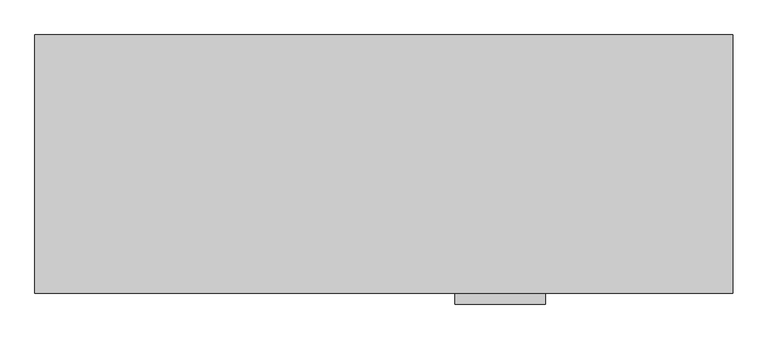
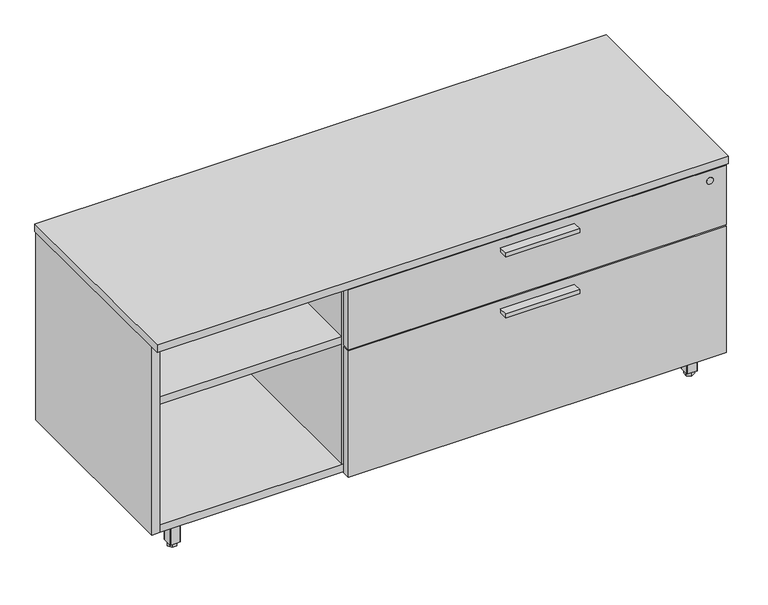
"""IFC4 building model written with IfcOpenShell, lengths in millimetres: furniture geometry."""

import ifcopenshell
import ifcopenshell.guid

model = None  # the IFC model being written
_history = None  # IfcOwnerHistory: only IFC2X3 demands one
_inside = {}  # id of a spatial element -> (the spatial element, [elements in it])
_under = {}  # id of a project, library or spatial element -> (it, [spatial elements below it])
_declared = {}  # id of a project -> (the project, [libraries it declares])
_typed = {}  # id of a type object -> (the type object, [elements of that type])
_made_of = {}  # id of a material, layer set ... -> (it, [elements and type objects made of it])


def new_model(schema):
    """Start an empty IFC model of exactly this schema.

    Asked for "IFC4X3", IfcOpenShell would pick the latest addendum, in which some entities
    have other attributes; the version numbers below select the first issue.
    IFC2X3 requires an IfcOwnerHistory on every rooted entity: one is made here for all.
    """
    global model, _history
    if schema == "IFC4X3":
        model = ifcopenshell.file(schema_version=(4, 3, 0, 0))
    else:
        model = ifcopenshell.file(schema=schema)
    _inside.clear()
    _under.clear()
    _declared.clear()
    _typed.clear()
    _made_of.clear()
    _history = None
    if model.schema == "IFC2X3":
        org = make("IfcOrganization", Name="unknown")
        user = make(
            "IfcPersonAndOrganization",
            ThePerson=make("IfcPerson", FamilyName="unknown"),
            TheOrganization=org,
        )
        app = make(
            "IfcApplication",
            ApplicationDeveloper=org,
            Version="unknown",
            ApplicationFullName="unknown",
            ApplicationIdentifier="unknown",
        )
        _history = make(
            "IfcOwnerHistory",
            OwningUser=user,
            OwningApplication=app,
            ChangeAction="ADDED",
            CreationDate=0,
        )
    return model


def make(cls, **values):
    """One entity of the class cls with the attributes given. An attribute that is None is left unset."""
    return model.create_entity(
        cls, **{name: value for name, value in values.items() if value is not None}
    )


def rooted(cls, **values):
    """An entity with a GlobalId (a new one), such as an element, a storey or a relation."""
    return make(cls, GlobalId=ifcopenshell.guid.new(), OwnerHistory=_history, **values)


def si_unit(unit_type, name, prefix=None):
    """IfcSIUnit, for example si_unit("LENGTHUNIT", "METRE", prefix="MILLI")."""
    return make("IfcSIUnit", UnitType=unit_type, Prefix=prefix, Name=name)


def assignment(units):
    """IfcUnitAssignment: the units of a project."""
    return None if units is None else make("IfcUnitAssignment", Units=units)


def point(xyz):
    """IfcCartesianPoint."""
    return None if xyz is None else make("IfcCartesianPoint", Coordinates=xyz)


def direction(xyz):
    """IfcDirection."""
    return None if xyz is None else make("IfcDirection", DirectionRatios=xyz)


def frame(location, z_axis=None, x_axis=None):
    """IfcAxis2Placement3D, a coordinate frame: its origin and axes. An axis left out is left unset."""
    return make(
        "IfcAxis2Placement3D",
        Location=point(location),
        Axis=direction(z_axis),
        RefDirection=direction(x_axis),
    )


def frame_2d(location, x_axis=None):
    """IfcAxis2Placement2D, a coordinate frame in the plane: its origin and x axis."""
    return make(
        "IfcAxis2Placement2D", Location=point(location), RefDirection=direction(x_axis)
    )


def origin():
    """The frame at (0, 0, 0) with its axes left unset."""
    return frame((0.0, 0.0, 0.0))


def origin_with_axes():
    """The frame at (0, 0, 0) with the z axis (0, 0, 1) and the x axis (1, 0, 0) written out."""
    return frame((0.0, 0.0, 0.0), z_axis=(0.0, 0.0, 1.0), x_axis=(1.0, 0.0, 0.0))


def place(relative_to, where):
    """IfcLocalPlacement: puts the frame where relative to a parent placement (None: the world)."""
    return make(
        "IfcLocalPlacement", PlacementRelTo=relative_to, RelativePlacement=where
    )


def context(
    kind, dimensions, precision=None, world=None, true_north=None, identifier=None
):
    """IfcGeometricRepresentationContext, for example the 3D "Model" context."""
    return make(
        "IfcGeometricRepresentationContext",
        ContextIdentifier=identifier,
        ContextType=kind,
        CoordinateSpaceDimension=dimensions,
        Precision=precision,
        WorldCoordinateSystem=world,
        TrueNorth=true_north,
    )


def project(units=None, contexts=None):
    """IfcProject with its units and contexts."""
    return rooted(
        "IfcProject",
        Name="project",
        RepresentationContexts=contexts,
        UnitsInContext=assignment(units),
    )


def spatial(cls, under=None, at=None, **own):
    """A site, building, storey or space (cls), placed at a placement, below another one or the project."""
    s = rooted(cls, ObjectPlacement=at, **own)
    if under is not None:
        _under.setdefault(under.id(), (under, []))[1].append(s)
    return s


def polyline(points):
    """IfcPolyline through the points."""
    return make("IfcPolyline", Points=[point(p) for p in points])


def circle_curve(where, radius):
    """IfcCircle in the frame where."""
    return make("IfcCircle", Position=where, Radius=radius)


def trimmed(basis, trim1, trim2, sense, master):
    """IfcTrimmedCurve: the piece of a basis curve between two trims."""
    return make(
        "IfcTrimmedCurve",
        BasisCurve=basis,
        Trim1=trim1,
        Trim2=trim2,
        SenseAgreement=sense,
        MasterRepresentation=master,
    )


def segment(curve, same_sense, transition):
    """IfcCompositeCurveSegment."""
    return make(
        "IfcCompositeCurveSegment",
        Transition=transition,
        SameSense=same_sense,
        ParentCurve=curve,
    )


def composite_curve(segments, self_intersect=None):
    """IfcCompositeCurve: segments joined end to end."""
    return make("IfcCompositeCurve", Segments=segments, SelfIntersect=self_intersect)


def outline(outer, holes=None, kind="AREA"):
    """IfcArbitraryClosedProfileDef: a profile drawn as a closed curve; with holes, ...WithVoids."""
    if holes is None:
        return make("IfcArbitraryClosedProfileDef", ProfileType=kind, OuterCurve=outer)
    return make(
        "IfcArbitraryProfileDefWithVoids",
        ProfileType=kind,
        OuterCurve=outer,
        InnerCurves=holes,
    )


def extrude(swept, where, along, depth):
    """IfcExtrudedAreaSolid: the profile swept, set in the frame where, extruded along a direction by depth."""
    return make(
        "IfcExtrudedAreaSolid",
        SweptArea=swept,
        Position=where,
        ExtrudedDirection=direction(along),
        Depth=depth,
    )


def shape(context_of_items, identifier, shape_type, items):
    """IfcShapeRepresentation: the items that make up one representation, for example the "Body"."""
    return make(
        "IfcShapeRepresentation",
        ContextOfItems=context_of_items,
        RepresentationIdentifier=identifier,
        RepresentationType=shape_type,
        Items=items,
    )


def source(mapping_origin, context_of_items, identifier, shape_type, items):
    """IfcRepresentationMap: a shape defined once, which mapped items show again and again."""
    return make(
        "IfcRepresentationMap",
        MappingOrigin=mapping_origin,
        MappedRepresentation=shape(context_of_items, identifier, shape_type, items),
    )


def transform(
    local_origin,
    x_axis=None,
    y_axis=None,
    z_axis=None,
    scale=None,
    scale2=None,
    scale3=None,
    uniform=True,
):
    """IfcCartesianTransformationOperator3D, or its non-uniform kind. x_axis, y_axis, z_axis: its Axis1, 2, 3."""
    if uniform:
        return make(
            "IfcCartesianTransformationOperator3D",
            Axis1=direction(x_axis),
            Axis2=direction(y_axis),
            LocalOrigin=point(local_origin),
            Scale=scale,
            Axis3=direction(z_axis),
        )
    return make(
        "IfcCartesianTransformationOperator3DnonUniform",
        Axis1=direction(x_axis),
        Axis2=direction(y_axis),
        LocalOrigin=point(local_origin),
        Scale=scale,
        Axis3=direction(z_axis),
        Scale2=scale2,
        Scale3=scale3,
    )


def mapped(mapping_source, mapping_target):
    """IfcMappedItem: shows the shape of a source again, moved by a transform."""
    return make(
        "IfcMappedItem", MappingSource=mapping_source, MappingTarget=mapping_target
    )


def made_of(thing, what):
    """Note that an element or type object is made of a material, layer set ...; save() writes the relation."""
    if what is not None:
        _made_of.setdefault(what.id(), (what, []))[1].append(thing)
    return thing


def element(
    cls,
    number,
    at=None,
    inside=None,
    cuts=None,
    type_object=None,
    material=None,
    context=None,
    identifier="Body",
    shape_type=None,
    held_by="IfcProductDefinitionShape",
    body=None,
    shapes=None,
    **own,
):
    """One element of the class cls, such as IfcWall. Its Tag is "e" and its number.

    at: its placement. inside: the storey or other place that contains it. cuts: it is an
    opening in that element (IfcRelVoidsElement). A single representation is given by context,
    identifier, shape_type and body (its items); several are given by shapes. held_by: the class
    of the entity that holds the representations. save() writes the other relations.
    """
    e = rooted(cls, Tag="e%d" % number, ObjectPlacement=at, **own)
    if body is not None:
        shapes = [shape(context, identifier, shape_type, body)]
    if shapes is not None:
        e.Representation = make(held_by, Representations=shapes)
    if inside is not None:
        _inside.setdefault(inside.id(), (inside, []))[1].append(e)
    if cuts is not None:
        rooted(
            "IfcRelVoidsElement", RelatingBuildingElement=cuts, RelatedOpeningElement=e
        )
    if type_object is not None:
        _typed.setdefault(type_object.id(), (type_object, []))[1].append(e)
    return made_of(e, material)


def aggregate(whole, parts):
    """IfcRelAggregates: a whole, such as a stair, and the parts it consists of."""
    return rooted("IfcRelAggregates", RelatingObject=whole, RelatedObjects=parts)


def save(model, path):
    """Write the relations noted so far, then the file.

    IfcRelAggregates (storeys below a building ...), IfcRelContainedInSpatialStructure (elements
    in a storey), IfcRelDefinesByType, IfcRelAssociatesMaterial and IfcRelDeclares: one each for
    every whole, place, type object, material and project.
    """
    for whole, parts in _under.values():
        aggregate(whole, parts)
    for where, things in _inside.values():
        rooted(
            "IfcRelContainedInSpatialStructure",
            RelatedElements=things,
            RelatingStructure=where,
        )
    for kind, things in _typed.values():
        rooted("IfcRelDefinesByType", RelatedObjects=things, RelatingType=kind)
    for what, things in _made_of.values():
        rooted("IfcRelAssociatesMaterial", RelatedObjects=things, RelatingMaterial=what)
    for by, libraries in _declared.values():
        rooted("IfcRelDeclares", RelatingContext=by, RelatedDefinitions=libraries)
    model.write(path)


def furniture_260f31ba(model_context):
    return source(origin(), model_context, "Body", "SweptSolid", [
        extrude(outline(polyline([(1003.3635, -536.7158592), (825.5635, -536.7158592), (825.5635, -514.4908592), (1003.3635, -514.4908592), (1003.3635, -536.7158592)])), frame((0.0, 0.0, 351.0330729), z_axis=(0.0, 0.0, 1.0), x_axis=(1.0, 0.0, 0.0)), (0.0, 0.0, 1.0), 9.525),
        extrude(outline(polyline([(1003.3635, -536.7158592), (825.5635, -536.7158592), (825.5635, -514.4908592), (1003.3635, -514.4908592), (1003.3635, -536.7158592)])), frame((0.0, 0.0, 506.1508939), z_axis=(0.0, 0.0, 1.0), x_axis=(1.0, 0.0, 0.0)), (0.0, 0.0, 1.0), 9.525),
        extrude(outline(polyline([(70.8025, -456.713183), (76.5175, -466.6118534), (70.8025, -476.5105237), (59.3725, -476.5105237), (53.6575, -466.6118534), (59.3725, -456.713183), (70.8025, -456.713183)])), origin_with_axes(), (0.0, 0.0, 1.0), 9.144),
        extrude(outline(composite_curve([segment(trimmed(circle_curve(frame_2d((65.0875, -466.6118534)), 4.445), [point((69.5325, -466.6118534))], [point((60.6425, -466.6118534))], False, "CARTESIAN"), True, "CONTINUOUS"), segment(trimmed(circle_curve(frame_2d((65.0875, -466.6118534)), 4.445), [point((60.6425, -466.6118534))], [point((69.5325, -466.6118534))], False, "CARTESIAN"), True, "CONTINUOUS")], self_intersect=False)), frame((0.0, 0.0, 7.112), z_axis=(0.0, 0.0, 1.0), x_axis=(1.0, 0.0, 0.0)), (0.0, 0.0, 1.0), 2.032),
        extrude(outline(composite_curve([segment(trimmed(circle_curve(frame_2d((11.1125, -482.4868534)), 3.175), [point((11.1125, -485.6618534))], [point((7.9375, -482.4868534))], False, "CARTESIAN"), True, "CONTINUOUS"), segment(polyline([(7.9375, -482.4868534), (7.9375, -412.6368534)]), True, "CONTINUOUS"), segment(trimmed(circle_curve(frame_2d((11.1125, -412.6368534)), 3.175), [point((7.9375, -412.6368534))], [point((11.1125, -409.4618534))], False, "CARTESIAN"), True, "CONTINUOUS"), segment(polyline([(11.1125, -409.4618534), (80.9625, -409.4618534)]), True, "CONTINUOUS"), segment(trimmed(circle_curve(frame_2d((80.9625, -412.6368534)), 3.175), [point((80.9625, -409.4618534))], [point((84.1375, -412.6368534))], False, "CARTESIAN"), True, "CONTINUOUS"), segment(polyline([(84.1375, -412.6368534), (84.1375, -482.4868534)]), True, "CONTINUOUS"), segment(trimmed(circle_curve(frame_2d((80.9625, -482.4868534)), 3.175), [point((84.1375, -482.4868534))], [point((80.9625, -485.6618534))], False, "CARTESIAN"), True, "CONTINUOUS"), segment(polyline([(80.9625, -485.6618534), (11.1125, -485.6618534)]), True, "CONTINUOUS")], self_intersect=False)), frame((0.0, 0.0, 58.3692), z_axis=(0.0, 0.0, 1.0), x_axis=(1.0, 0.0, 0.0)), (0.0, 0.0, 1.0), 1.89738),
        extrude(outline(composite_curve([segment(polyline([(76.5175, -479.3118534), (53.6575, -479.3118534)]), True, "CONTINUOUS"), segment(trimmed(circle_curve(frame_2d((53.6575, -478.0418534)), 1.27), [point((53.6575, -479.3118534))], [point((52.3875, -478.0418534))], False, "CARTESIAN"), True, "CONTINUOUS"), segment(polyline([(52.3875, -478.0418534), (52.3875, -455.1818534)]), True, "CONTINUOUS"), segment(trimmed(circle_curve(frame_2d((53.6575, -455.1818534)), 1.27), [point((52.3875, -455.1818534))], [point((53.6575, -453.9118534))], False, "CARTESIAN"), True, "CONTINUOUS"), segment(polyline([(53.6575, -453.9118534), (76.5175, -453.9118534)]), True, "CONTINUOUS"), segment(trimmed(circle_curve(frame_2d((76.5175, -455.1818534)), 1.27), [point((76.5175, -453.9118534))], [point((77.7875, -455.1818534))], False, "CARTESIAN"), True, "CONTINUOUS"), segment(polyline([(77.7875, -455.1818534), (77.7875, -478.0418534)]), True, "CONTINUOUS"), segment(trimmed(circle_curve(frame_2d((76.5175, -478.0418534)), 1.27), [point((77.7875, -478.0418534))], [point((76.5175, -479.3118534))], False, "CARTESIAN"), True, "CONTINUOUS")], self_intersect=False)), frame((0.0, 0.0, 9.144), z_axis=(0.0, 0.0, 1.0), x_axis=(1.0, 0.0, 0.0)), (0.0, 0.0, 1.0), 49.2252),
        extrude(outline(polyline([(55.1888296, -42.0508713), (65.0875, -36.3358713), (74.9861704, -42.0508713), (74.9861704, -53.4808713), (65.0875, -59.1958713), (55.1888296, -53.4808713), (55.1888296, -42.0508713)])), origin_with_axes(), (0.0, 0.0, 1.0), 9.144),
        extrude(outline(composite_curve([segment(trimmed(circle_curve(frame_2d((65.0875, -47.7658713)), 4.445), [point((65.0875, -43.3208713))], [point((65.0875, -52.2108713))], False, "CARTESIAN"), True, "CONTINUOUS"), segment(trimmed(circle_curve(frame_2d((65.0875, -47.7658713)), 4.445), [point((65.0875, -52.2108713))], [point((65.0875, -43.3208713))], False, "CARTESIAN"), True, "CONTINUOUS")], self_intersect=False)), frame((0.0, 0.0, 7.112), z_axis=(0.0, 0.0, 1.0), x_axis=(1.0, 0.0, 0.0)), (0.0, 0.0, 1.0), 2.032),
        extrude(outline(composite_curve([segment(trimmed(circle_curve(frame_2d((80.9625, -101.7408713)), 3.175), [point((84.1375, -101.7408713))], [point((80.9625, -104.9158713))], False, "CARTESIAN"), True, "CONTINUOUS"), segment(polyline([(80.9625, -104.9158713), (11.1125, -104.9158713)]), True, "CONTINUOUS"), segment(trimmed(circle_curve(frame_2d((11.1125, -101.7408713)), 3.175), [point((11.1125, -104.9158713))], [point((7.9375, -101.7408713))], False, "CARTESIAN"), True, "CONTINUOUS"), segment(polyline([(7.9375, -101.7408713), (7.9375, -31.8908713)]), True, "CONTINUOUS"), segment(trimmed(circle_curve(frame_2d((11.1125, -31.8908713)), 3.175), [point((7.9375, -31.8908713))], [point((11.1125, -28.7158713))], False, "CARTESIAN"), True, "CONTINUOUS"), segment(polyline([(11.1125, -28.7158713), (80.9625, -28.7158713)]), True, "CONTINUOUS"), segment(trimmed(circle_curve(frame_2d((80.9625, -31.8908713)), 3.175), [point((80.9625, -28.7158713))], [point((84.1375, -31.8908713))], False, "CARTESIAN"), True, "CONTINUOUS"), segment(polyline([(84.1375, -31.8908713), (84.1375, -101.7408713)]), True, "CONTINUOUS")], self_intersect=False)), frame((0.0, 0.0, 58.3692), z_axis=(0.0, 0.0, 1.0), x_axis=(1.0, 0.0, 0.0)), (0.0, 0.0, 1.0), 1.89738),
        extrude(outline(composite_curve([segment(polyline([(77.7875, -36.3358713), (77.7875, -59.1958713)]), True, "CONTINUOUS"), segment(trimmed(circle_curve(frame_2d((76.5175, -59.1958713)), 1.27), [point((77.7875, -59.1958713))], [point((76.5175, -60.4658713))], False, "CARTESIAN"), True, "CONTINUOUS"), segment(polyline([(76.5175, -60.4658713), (53.6575, -60.4658713)]), True, "CONTINUOUS"), segment(trimmed(circle_curve(frame_2d((53.6575, -59.1958713)), 1.27), [point((53.6575, -60.4658713))], [point((52.3875, -59.1958713))], False, "CARTESIAN"), True, "CONTINUOUS"), segment(polyline([(52.3875, -59.1958713), (52.3875, -36.3358713)]), True, "CONTINUOUS"), segment(trimmed(circle_curve(frame_2d((53.6575, -36.3358713)), 1.27), [point((52.3875, -36.3358713))], [point((53.6575, -35.0658713))], False, "CARTESIAN"), True, "CONTINUOUS"), segment(polyline([(53.6575, -35.0658713), (76.5175, -35.0658713)]), True, "CONTINUOUS"), segment(trimmed(circle_curve(frame_2d((76.5175, -36.3358713)), 1.27), [point((76.5175, -35.0658713))], [point((77.7875, -36.3358713))], False, "CARTESIAN"), True, "CONTINUOUS")], self_intersect=False)), frame((0.0, 0.0, 9.144), z_axis=(0.0, 0.0, 1.0), x_axis=(1.0, 0.0, 0.0)), (0.0, 0.0, 1.0), 49.2252),
        extrude(outline(polyline([(1300.7975, -57.6645417), (1295.0825, -47.7658713), (1300.7975, -37.8672009), (1312.2275, -37.8672009), (1317.9425, -47.7658713), (1312.2275, -57.6645417), (1300.7975, -57.6645417)])), origin_with_axes(), (0.0, 0.0, 1.0), 9.144),
        extrude(outline(composite_curve([segment(trimmed(circle_curve(frame_2d((1306.5125, -47.7658713)), 4.445), [point((1302.0675, -47.7658713))], [point((1310.9575, -47.7658713))], False, "CARTESIAN"), True, "CONTINUOUS"), segment(trimmed(circle_curve(frame_2d((1306.5125, -47.7658713)), 4.445), [point((1310.9575, -47.7658713))], [point((1302.0675, -47.7658713))], False, "CARTESIAN"), True, "CONTINUOUS")], self_intersect=False)), frame((0.0, 0.0, 7.112), z_axis=(0.0, 0.0, 1.0), x_axis=(1.0, 0.0, 0.0)), (0.0, 0.0, 1.0), 2.032),
        extrude(outline(composite_curve([segment(trimmed(circle_curve(frame_2d((1360.4875, -31.8908713)), 3.175), [point((1360.4875, -28.7158713))], [point((1363.6625, -31.8908713))], False, "CARTESIAN"), True, "CONTINUOUS"), segment(polyline([(1363.6625, -31.8908713), (1363.6625, -101.7408713)]), True, "CONTINUOUS"), segment(trimmed(circle_curve(frame_2d((1360.4875, -101.7408713)), 3.175), [point((1363.6625, -101.7408713))], [point((1360.4875, -104.9158713))], False, "CARTESIAN"), True, "CONTINUOUS"), segment(polyline([(1360.4875, -104.9158713), (1290.6375, -104.9158713)]), True, "CONTINUOUS"), segment(trimmed(circle_curve(frame_2d((1290.6375, -101.7408713)), 3.175), [point((1290.6375, -104.9158713))], [point((1287.4625, -101.7408713))], False, "CARTESIAN"), True, "CONTINUOUS"), segment(polyline([(1287.4625, -101.7408713), (1287.4625, -31.8908713)]), True, "CONTINUOUS"), segment(trimmed(circle_curve(frame_2d((1290.6375, -31.8908713)), 3.175), [point((1287.4625, -31.8908713))], [point((1290.6375, -28.7158713))], False, "CARTESIAN"), True, "CONTINUOUS"), segment(polyline([(1290.6375, -28.7158713), (1360.4875, -28.7158713)]), True, "CONTINUOUS")], self_intersect=False)), frame((0.0, 0.0, 58.3692), z_axis=(0.0, 0.0, 1.0), x_axis=(1.0, 0.0, 0.0)), (0.0, 0.0, 1.0), 1.89738),
        extrude(outline(composite_curve([segment(polyline([(1295.0825, -35.0658713), (1317.9425, -35.0658713)]), True, "CONTINUOUS"), segment(trimmed(circle_curve(frame_2d((1317.9425, -36.3358713)), 1.27), [point((1317.9425, -35.0658713))], [point((1319.2125, -36.3358713))], False, "CARTESIAN"), True, "CONTINUOUS"), segment(polyline([(1319.2125, -36.3358713), (1319.2125, -59.1958713)]), True, "CONTINUOUS"), segment(trimmed(circle_curve(frame_2d((1317.9425, -59.1958713)), 1.27), [point((1319.2125, -59.1958713))], [point((1317.9425, -60.4658713))], False, "CARTESIAN"), True, "CONTINUOUS"), segment(polyline([(1317.9425, -60.4658713), (1295.0825, -60.4658713)]), True, "CONTINUOUS"), segment(trimmed(circle_curve(frame_2d((1295.0825, -59.1958713)), 1.27), [point((1295.0825, -60.4658713))], [point((1293.8125, -59.1958713))], False, "CARTESIAN"), True, "CONTINUOUS"), segment(polyline([(1293.8125, -59.1958713), (1293.8125, -36.3358713)]), True, "CONTINUOUS"), segment(trimmed(circle_curve(frame_2d((1295.0825, -36.3358713)), 1.27), [point((1293.8125, -36.3358713))], [point((1295.0825, -35.0658713))], False, "CARTESIAN"), True, "CONTINUOUS")], self_intersect=False)), frame((0.0, 0.0, 9.144), z_axis=(0.0, 0.0, 1.0), x_axis=(1.0, 0.0, 0.0)), (0.0, 0.0, 1.0), 49.2252),
        extrude(outline(polyline([(1316.4111704, -472.3268534), (1306.5125, -478.0418534), (1296.6138296, -472.3268534), (1296.6138296, -460.8968534), (1306.5125, -455.1818534), (1316.4111704, -460.8968534), (1316.4111704, -472.3268534)])), origin_with_axes(), (0.0, 0.0, 1.0), 9.144),
        extrude(outline(composite_curve([segment(trimmed(circle_curve(frame_2d((1306.5125, -466.6118534)), 4.445), [point((1306.5125, -471.0568534))], [point((1306.5125, -462.1668534))], False, "CARTESIAN"), True, "CONTINUOUS"), segment(trimmed(circle_curve(frame_2d((1306.5125, -466.6118534)), 4.445), [point((1306.5125, -462.1668534))], [point((1306.5125, -471.0568534))], False, "CARTESIAN"), True, "CONTINUOUS")], self_intersect=False)), frame((0.0, 0.0, 7.112), z_axis=(0.0, 0.0, 1.0), x_axis=(1.0, 0.0, 0.0)), (0.0, 0.0, 1.0), 2.032),
        extrude(outline(composite_curve([segment(trimmed(circle_curve(frame_2d((1290.6375, -412.6368534)), 3.175), [point((1287.4625, -412.6368534))], [point((1290.6375, -409.4618534))], False, "CARTESIAN"), True, "CONTINUOUS"), segment(polyline([(1290.6375, -409.4618534), (1360.4875, -409.4618534)]), True, "CONTINUOUS"), segment(trimmed(circle_curve(frame_2d((1360.4875, -412.6368534)), 3.175), [point((1360.4875, -409.4618534))], [point((1363.6625, -412.6368534))], False, "CARTESIAN"), True, "CONTINUOUS"), segment(polyline([(1363.6625, -412.6368534), (1363.6625, -482.4868534)]), True, "CONTINUOUS"), segment(trimmed(circle_curve(frame_2d((1360.4875, -482.4868534)), 3.175), [point((1363.6625, -482.4868534))], [point((1360.4875, -485.6618534))], False, "CARTESIAN"), True, "CONTINUOUS"), segment(polyline([(1360.4875, -485.6618534), (1290.6375, -485.6618534)]), True, "CONTINUOUS"), segment(trimmed(circle_curve(frame_2d((1290.6375, -482.4868534)), 3.175), [point((1290.6375, -485.6618534))], [point((1287.4625, -482.4868534))], False, "CARTESIAN"), True, "CONTINUOUS"), segment(polyline([(1287.4625, -482.4868534), (1287.4625, -412.6368534)]), True, "CONTINUOUS")], self_intersect=False)), frame((0.0, 0.0, 58.3692), z_axis=(0.0, 0.0, 1.0), x_axis=(1.0, 0.0, 0.0)), (0.0, 0.0, 1.0), 1.89738),
        extrude(outline(composite_curve([segment(polyline([(1293.8125, -478.0418534), (1293.8125, -455.1818534)]), True, "CONTINUOUS"), segment(trimmed(circle_curve(frame_2d((1295.0825, -455.1818534)), 1.27), [point((1293.8125, -455.1818534))], [point((1295.0825, -453.9118534))], False, "CARTESIAN"), True, "CONTINUOUS"), segment(polyline([(1295.0825, -453.9118534), (1317.9425, -453.9118534)]), True, "CONTINUOUS"), segment(trimmed(circle_curve(frame_2d((1317.9425, -455.1818534)), 1.27), [point((1317.9425, -453.9118534))], [point((1319.2125, -455.1818534))], False, "CARTESIAN"), True, "CONTINUOUS"), segment(polyline([(1319.2125, -455.1818534), (1319.2125, -478.0418534)]), True, "CONTINUOUS"), segment(trimmed(circle_curve(frame_2d((1317.9425, -478.0418534)), 1.27), [point((1319.2125, -478.0418534))], [point((1317.9425, -479.3118534))], False, "CARTESIAN"), True, "CONTINUOUS"), segment(polyline([(1317.9425, -479.3118534), (1295.0825, -479.3118534)]), True, "CONTINUOUS"), segment(trimmed(circle_curve(frame_2d((1295.0825, -478.0418534)), 1.27), [point((1295.0825, -479.3118534))], [point((1293.8125, -478.0418534))], False, "CARTESIAN"), True, "CONTINUOUS")], self_intersect=False)), frame((0.0, 0.0, 9.144), z_axis=(0.0, 0.0, 1.0), x_axis=(1.0, 0.0, 0.0)), (0.0, 0.0, 1.0), 49.2252),
        extrude(outline(polyline([(1350.7085154, -30.4938704), (1350.7085154, -491.6308447), (20.8915005, -491.6308447), (20.8915005, -30.4938704), (1350.7085154, -30.4938704)])), frame((0.0, 0.0, 520.1843787), z_axis=(0.0, 0.0, 1.0), x_axis=(1.0, 0.0, 0.0)), (0.0, 0.0, 1.0), 19.304),
        extrude(outline(polyline([(478.2185, -30.4938704), (478.2185, -490.4878548), (458.9145, -490.4878548), (458.9145, -30.4938704), (478.2185, -30.4938704)])), frame((0.0, 0.0, 79.57058), z_axis=(0.0, 0.0, 1.0), x_axis=(1.0, 0.0, 0.0)), (0.0, 0.0, 1.0), 440.6137987),
        extrude(outline(polyline([(460.502, -495.1868776), (1368.425, -495.1868776), (1368.425, -514.4908592), (460.502, -514.4908592), (460.502, -495.1868776)])), frame((0.0, 0.0, 384.3705787), z_axis=(0.0, 0.0, 1.0), x_axis=(1.0, 0.0, 0.0)), (0.0, 0.0, 1.0), 151.9428152),
        extrude(outline(polyline([(460.502, -495.1868776), (1368.425, -495.1868776), (1368.425, -514.4908592), (460.502, -514.4908592), (460.502, -495.1868776)])), frame((0.0, 0.0, 60.26658), z_axis=(0.0, 0.0, 1.0), x_axis=(1.0, 0.0, 0.0)), (0.0, 0.0, 1.0), 320.9289929),
        extrude(outline(polyline([(458.9145, -30.4938704), (458.9145, -489.7258374), (20.8915, -489.7258374), (20.8915, -30.4938704), (458.9145, -30.4938704)])), frame((0.0, 0.0, 384.3705787), z_axis=(0.0, 0.0, 1.0), x_axis=(1.0, 0.0, 0.0)), (0.0, 0.0, 1.0), 19.304),
        extrude(outline(polyline([(1371.6, -8.0783713), (1371.6, -516.0783713), (0.0, -516.0783713), (0.0, -8.0783713), (1371.6, -8.0783713)])), frame((0.0, 0.0, 539.4883818), z_axis=(0.0, 0.0, 1.0), x_axis=(1.0, 0.0, 0.0)), (0.0, 0.0, 1.0), 19.0499969),
        extrude(outline(polyline([(1350.7085154, -30.4938704), (1350.7085154, -491.6308447), (20.8915005, -491.6308447), (20.8915005, -30.4938704), (1350.7085154, -30.4938704)])), frame((0.0, 0.0, 60.26658), z_axis=(0.0, 0.0, 1.0), x_axis=(1.0, 0.0, 0.0)), (0.0, 0.0, 1.0), 19.304),
        extrude(outline(polyline([(1350.7085154, -11.1898712), (1350.7085154, -30.4938704), (20.8915005, -30.4938704), (20.8915005, -11.1898712), (1350.7085154, -11.1898712)])), frame((0.0, 0.0, 60.26658), z_axis=(0.0, 0.0, 1.0), x_axis=(1.0, 0.0, 0.0)), (0.0, 0.0, 1.0), 479.2217987),
        extrude(outline(polyline([(20.8915005, -9.6658713), (20.8915005, -492.0118534), (1.5875, -492.0118534), (1.5875, -9.6658713), (20.8915005, -9.6658713)])), frame((0.0, 0.0, 60.26658), z_axis=(0.0, 0.0, 1.0), x_axis=(1.0, 0.0, 0.0)), (0.0, 0.0, 1.0), 479.2217987),
        extrude(outline(polyline([(1350.7085154, -9.6658713), (1370.0125158, -9.6658713), (1370.0125158, -492.0118534), (1350.7085154, -492.0118534), (1350.7085154, -9.6658713)])), frame((0.0, 0.0, 60.26658), z_axis=(0.0, 0.0, 1.0), x_axis=(1.0, 0.0, 0.0)), (0.0, 0.0, 1.0), 479.2217987),
        extrude(outline(composite_curve([segment(trimmed(circle_curve(frame_2d((510.9133939, 1328.42)), 8.001), [point((510.9133939, 1336.421))], [point((510.9133939, 1320.419))], False, "CARTESIAN"), True, "CONTINUOUS"), segment(trimmed(circle_curve(frame_2d((510.9133939, 1328.42)), 8.001), [point((510.9133939, 1320.419))], [point((510.9133939, 1336.421))], False, "CARTESIAN"), True, "CONTINUOUS")], self_intersect=False)), frame((0.0, -516.0783713, 0.0), z_axis=(0.0, 1.0, 0.0), x_axis=(0.0, 0.0, 1.0)), (0.0, 0.0, 1.0), 1.5875121),
    ])


if __name__ == "__main__":
    model = new_model("IFC4")
    model_context = context("Model", 3, world=origin())
    ifc_project = project(units=[si_unit("LENGTHUNIT", "METRE", prefix="MILLI")], contexts=[model_context])
    site = spatial("IfcSite", under=ifc_project)
    building = spatial("IfcBuilding", under=site)
    placement = place(None, origin())
    furniture_shape = furniture_260f31ba(model_context)
    element("IfcFurniture", 1, at=placement, inside=building, context=model_context, shape_type="MappedRepresentation", body=[
        mapped(furniture_shape, transform((0.0, 0.0, 0.0), x_axis=(1.0, 0.0, 0.0), y_axis=(0.0, 1.0, 0.0), z_axis=(0.0, 0.0, 1.0))),
    ])
    save(model, "model.ifc")
